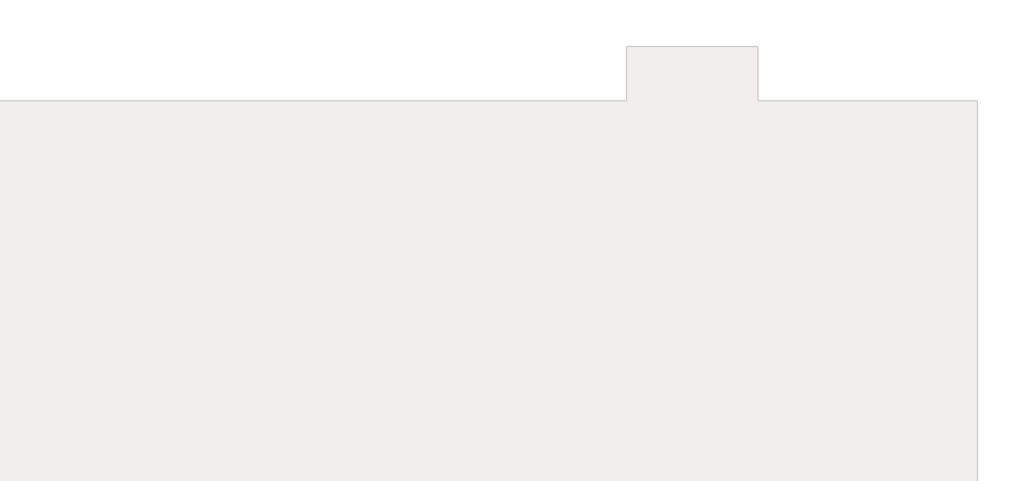
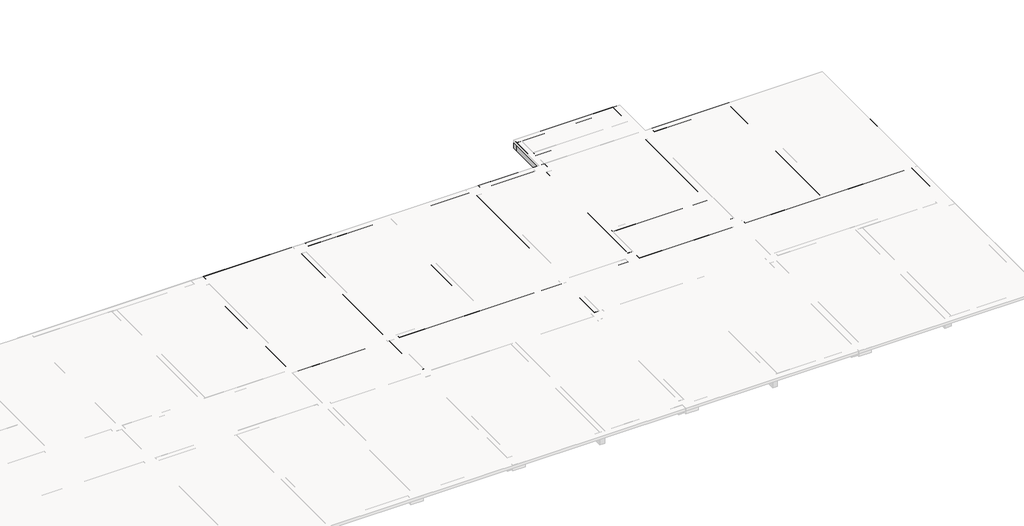
# One storey, part 3 of 3: 27 beams.
"""IFC4 building model written with IfcOpenShell, lengths in millimetres."""

from ifc_helpers import new_model, si_unit, frame, origin, place, context, project, spatial, polyline, outline, extrude, faceted_brep, element, save

model = new_model("IFC4")

# Units and contexts
model_context = context("Model", 3, world=origin())
ifc_project = project(units=[si_unit("LENGTHUNIT", "METRE", prefix="MILLI")], contexts=[model_context])

# Site, building, storey
site = spatial("IfcSite", under=ifc_project)
building = spatial("IfcBuilding", under=site)
storey = spatial("IfcBuildingStorey", under=building, Elevation=4000.0)

# Beams
placement = place(None, origin())
element("IfcBeam", 1, at=placement, inside=storey, context=model_context, shape_type="Brep", body=[
    faceted_brep([(7219.8874324, 2318.5678722, 4000.0), (7219.8874324, 2568.5678722, 4000.0), (2569.8874324, 2568.5678722, 4000.0), (2569.8874324, 2318.5678722, 4000.0), (7219.8874324, 2318.5678722, 3250.0), (7219.8874324, 2318.5678722, 3700.0), (2569.8874324, 2318.5678722, 3700.0), (2569.8874324, 2318.5678722, 3250.0), (7219.8874324, 2568.5678722, 3250.0), (2569.8874324, 2568.5678722, 3250.0), (7219.8874324, 2568.5678722, 3700.0), (2569.8874324, 2568.5678722, 3700.0)], [[[0, 1, 2, 3]], [[4, 5, 0, 3, 6, 7]], [[8, 4, 7, 9]], [[1, 10, 8, 9, 11, 2]], [[2, 11, 9, 7, 6, 3]], [[1, 0, 5, 4, 8, 10]]]),
])
element("IfcBeam", 2, at=placement, inside=storey, context=model_context, shape_type="Brep", body=[
    faceted_brep([(7819.8874324, 2568.5678722, 4000.0), (7819.8874324, 2318.5678722, 4000.0), (16244.8874324, 2318.5678722, 4000.0), (16244.8874324, 2568.5678722, 4000.0), (12169.8874324, 2568.5678722, 4000.0), (11919.8874324, 2568.5678722, 4000.0), (7819.8874324, 2318.5678722, 3700.0), (7819.8874324, 2318.5678722, 3250.0), (16244.8874324, 2318.5678722, 3250.0), (7819.8874324, 2568.5678722, 3250.0), (16244.8874324, 2568.5678722, 3250.0), (7819.8874324, 2568.5678722, 3700.0)], [[[0, 1, 2, 3, 4, 5]], [[1, 6, 7, 8, 2]], [[7, 9, 10, 8]], [[9, 11, 0, 5, 4, 3, 10]], [[0, 11, 9, 7, 6, 1]], [[3, 2, 8, 10]]]),
])
element("IfcBeam", 3, at=placement, inside=storey, context=model_context, shape_type="SweptSolid", body=[
    extrude(outline(polyline([(16844.8874324, 2318.5678722), (16844.8874324, 2568.5678722), (19719.8874324, 2568.5678722), (19719.8874324, 2318.5678722), (16844.8874324, 2318.5678722)])), frame((0.0, 0.0, 3250.0), z_axis=(0.0, 0.0, 1.0), x_axis=(1.0, 0.0, 0.0)), (0.0, 0.0, 1.0), 750.0),
])
element("IfcBeam", 4, at=placement, inside=storey, context=model_context, shape_type="Brep", body=[
    faceted_brep([(25219.8874324, 2318.5678722, 4000.0), (25219.8874324, 2568.5678722, 4000.0), (20319.8874324, 2568.5678722, 4000.0), (20319.8874324, 2318.5678722, 4000.0), (25219.8874324, 2318.5678722, 3250.0), (25219.8874324, 2318.5678722, 3700.0), (20319.8874324, 2318.5678722, 3700.0), (20319.8874324, 2318.5678722, 3250.0), (25219.8874324, 2568.5678722, 3250.0), (20319.8874324, 2568.5678722, 3250.0), (25219.8874324, 2568.5678722, 3700.0), (20319.8874324, 2568.5678722, 3700.0)], [[[0, 1, 2, 3]], [[4, 5, 0, 3, 6, 7]], [[8, 4, 7, 9]], [[1, 10, 8, 9, 11, 2]], [[2, 11, 9, 7, 6, 3]], [[1, 0, 5, 4, 8, 10]]]),
])
element("IfcBeam", 5, at=placement, inside=storey, context=model_context, shape_type="Brep", body=[
    faceted_brep([(34094.8874324, 2318.5678722, 4000.0), (34094.8874324, 2568.5678722, 4000.0), (30244.8874324, 2568.5678722, 4000.0), (29844.8874324, 2568.5678722, 4000.0), (25819.8874324, 2568.5678722, 4000.0), (25819.8874324, 2318.5678722, 4000.0), (34094.8874324, 2318.5678722, 3250.0), (34094.8874324, 2318.5678722, 3700.0), (25819.8874324, 2318.5678722, 3250.0), (34094.8874324, 2568.5678722, 3250.0), (25819.8874324, 2568.5678722, 3250.0), (34094.8874324, 2568.5678722, 3700.0)], [[[0, 1, 2, 3, 4, 5]], [[6, 7, 0, 5, 8]], [[9, 6, 8, 10]], [[1, 11, 9, 10, 4, 3, 2]], [[1, 0, 7, 6, 9, 11]], [[5, 4, 10, 8]]]),
])
element("IfcBeam", 6, at=placement, inside=storey, context=model_context, shape_type="Brep", body=[
    faceted_brep([(7219.8874324, 10593.5678722, 4000.0), (7219.8874324, 10893.5678722, 4000.0), (2569.8874324, 10893.5678722, 4000.0), (2569.8874324, 10593.5678722, 4000.0), (7219.8874324, 10593.5678722, 3100.0), (7219.8874324, 10593.5678722, 3700.0), (2569.8874324, 10593.5678722, 3700.0), (2569.8874324, 10593.5678722, 3100.0), (7219.8874324, 10893.5678722, 3100.0), (2569.8874324, 10893.5678722, 3100.0), (7219.8874324, 10893.5678722, 3700.0), (2569.8874324, 10893.5678722, 3700.0)], [[[0, 1, 2, 3]], [[4, 5, 0, 3, 6, 7]], [[8, 4, 7, 9]], [[1, 10, 8, 9, 11, 2]], [[2, 11, 9, 7, 6, 3]], [[1, 0, 5, 4, 8, 10]]]),
])
element("IfcBeam", 7, at=placement, inside=storey, context=model_context, shape_type="Brep", body=[
    faceted_brep([(16219.8874324, 10593.5678722, 4000.0), (16219.8874324, 10893.5678722, 4000.0), (7869.8874324, 10893.5678722, 4000.0), (7869.8874324, 10593.5678722, 4000.0), (11919.8874324, 10593.5678722, 4000.0), (12169.8874324, 10593.5678722, 4000.0), (16219.8874324, 10593.5678722, 3100.0), (16219.8874324, 10593.5678722, 3700.0), (7869.8874324, 10593.5678722, 3700.0), (7869.8874324, 10593.5678722, 3100.0), (16219.8874324, 10893.5678722, 3100.0), (7869.8874324, 10893.5678722, 3100.0), (16219.8874324, 10893.5678722, 3700.0), (7869.8874324, 10893.5678722, 3700.0)], [[[0, 1, 2, 3, 4, 5]], [[6, 7, 0, 5, 4, 3, 8, 9]], [[10, 6, 9, 11]], [[1, 12, 10, 11, 13, 2]], [[2, 13, 11, 9, 8, 3]], [[1, 0, 7, 6, 10, 12]]]),
])
element("IfcBeam", 8, at=placement, inside=storey, context=model_context, shape_type="Brep", body=[
    faceted_brep([(19669.8874324, 10593.5678722, 4000.0), (19669.8874324, 10893.5678722, 4000.0), (16869.8874324, 10893.5678722, 4000.0), (16869.8874324, 10593.5678722, 4000.0), (19669.8874324, 10593.5678722, 3100.0), (19669.8874324, 10593.5678722, 3700.0), (16869.8874324, 10593.5678722, 3700.0), (16869.8874324, 10593.5678722, 3100.0), (19669.8874324, 10893.5678722, 3100.0), (16869.8874324, 10893.5678722, 3100.0), (19669.8874324, 10893.5678722, 3700.0), (16869.8874324, 10893.5678722, 3700.0)], [[[0, 1, 2, 3]], [[4, 5, 0, 3, 6, 7]], [[8, 4, 7, 9]], [[1, 10, 8, 9, 11, 2]], [[2, 11, 9, 7, 6, 3]], [[1, 0, 5, 4, 8, 10]]]),
])
element("IfcBeam", 9, at=placement, inside=storey, context=model_context, shape_type="Brep", body=[
    faceted_brep([(20069.8874324, 13193.5678722, 4000.0), (20069.8874324, 12943.5678722, 4000.0), (20319.8874324, 12943.5678722, 4000.0), (25219.8874324, 12943.5678722, 4000.0), (25219.8874324, 13193.5678722, 4000.0), (20069.8874324, 12943.5678722, 3550.0), (20319.8874324, 12943.5678722, 3550.0), (25219.8874324, 12943.5678722, 3550.0), (25219.8874324, 12943.5678722, 3700.0), (20069.8874324, 13193.5678722, 3550.0), (25219.8874324, 13193.5678722, 3550.0)], [[[0, 1, 2, 3, 4]], [[1, 5, 6, 7, 8, 3, 2]], [[5, 9, 10, 7, 6]], [[9, 0, 4, 10]], [[4, 3, 8, 7, 10]], [[1, 0, 9, 5]]]),
])
element("IfcBeam", 10, at=placement, inside=storey, context=model_context, shape_type="Brep", body=[
    faceted_brep([(20069.8874324, 10893.5678722, 4000.0), (20319.8874324, 10893.5678722, 4000.0), (20319.8874324, 11643.5678722, 4000.0), (20319.8874324, 11893.5678722, 4000.0), (20319.8874324, 12943.5678722, 4000.0), (20069.8874324, 12943.5678722, 4000.0), (20319.8874324, 10893.5678722, 3700.0), (20319.8874324, 10893.5678722, 3550.0), (20319.8874324, 11643.5678722, 3550.0), (20319.8874324, 11893.5678722, 3550.0), (20319.8874324, 12943.5678722, 3550.0), (20319.8874324, 12943.5678722, 3700.0), (20069.8874324, 10893.5678722, 3550.0), (20069.8874324, 12943.5678722, 3550.0)], [[[0, 1, 2, 3, 4, 5]], [[1, 6, 7, 8, 9, 10, 11, 4, 3, 2]], [[7, 12, 13, 10, 9, 8]], [[12, 0, 5, 13]], [[5, 4, 11, 10, 13]], [[0, 12, 7, 6, 1]]]),
])
element("IfcBeam", 11, at=placement, inside=storey, context=model_context, shape_type="Brep", body=[
    faceted_brep([(20319.8874324, 11893.5678722, 4000.0), (20319.8874324, 11643.5678722, 4000.0), (25219.8874324, 11643.5678722, 4000.0), (25219.8874324, 11893.5678722, 4000.0), (20319.8874324, 11643.5678722, 3700.0), (20319.8874324, 11643.5678722, 3550.0), (25219.8874324, 11643.5678722, 3550.0), (25219.8874324, 11643.5678722, 3700.0), (20319.8874324, 11893.5678722, 3550.0), (25219.8874324, 11893.5678722, 3550.0), (20319.8874324, 11893.5678722, 3700.0), (25219.8874324, 11893.5678722, 3700.0)], [[[0, 1, 2, 3]], [[1, 4, 5, 6, 7, 2]], [[5, 8, 9, 6]], [[8, 10, 0, 3, 11, 9]], [[1, 0, 10, 8, 5, 4]], [[3, 2, 7, 6, 9, 11]]]),
])
element("IfcBeam", 12, at=placement, inside=storey, context=model_context, shape_type="Brep", body=[
    faceted_brep([(25219.8874324, 10893.5678722, 4000.0), (25569.8874324, 10893.5678722, 4000.0), (25569.8874324, 13193.5678722, 4000.0), (25219.8874324, 13193.5678722, 4000.0), (25219.8874324, 12943.5678722, 4000.0), (25219.8874324, 11893.5678722, 4000.0), (25219.8874324, 11643.5678722, 4000.0), (25219.8874324, 10893.5678722, 3250.0), (25219.8874324, 10893.5678722, 3700.0), (25219.8874324, 13193.5678722, 3550.0), (25219.8874324, 13193.5678722, 3250.0), (25569.8874324, 10893.5678722, 3250.0), (25569.8874324, 13193.5678722, 3250.0)], [[[0, 1, 2, 3, 4, 5, 6]], [[7, 8, 0, 6, 5, 4, 3, 9, 10]], [[11, 7, 10, 12]], [[1, 11, 12, 2]], [[1, 0, 8, 7, 11]], [[3, 2, 12, 10, 9]]]),
])
element("IfcBeam", 13, at=placement, inside=storey, context=model_context, shape_type="Brep", body=[
    faceted_brep([(2244.8874324, 2918.5678722, 4000.0), (2494.8874324, 2918.5678722, 4000.0), (2494.8874324, 10243.5678722, 4000.0), (2244.8874324, 10243.5678722, 4000.0), (2244.8874324, 2918.5678722, 3250.0), (2244.8874324, 2918.5678722, 3700.0), (2244.8874324, 10243.5678722, 3700.0), (2244.8874324, 10243.5678722, 3250.0), (2494.8874324, 2918.5678722, 3250.0), (2494.8874324, 10243.5678722, 3250.0), (2494.8874324, 2918.5678722, 3700.0), (2494.8874324, 10243.5678722, 3700.0)], [[[0, 1, 2, 3]], [[4, 5, 0, 3, 6, 7]], [[8, 4, 7, 9]], [[1, 10, 8, 9, 11, 2]], [[2, 11, 9, 7, 6, 3]], [[1, 0, 5, 4, 8, 10]]]),
])
element("IfcBeam", 14, at=placement, inside=storey, context=model_context, shape_type="Brep", body=[
    faceted_brep([(7544.8874324, 2318.5678722, 4000.0), (7294.8874324, 2318.5678722, 4000.0), (7294.8874324, -381.4321278, 4000.0), (7544.8874324, -381.4321278, 4000.0), (7544.8874324, 2318.5678722, 3250.0), (7544.8874324, 2318.5678722, 3700.0), (7544.8874324, -381.4321278, 3700.0), (7544.8874324, -381.4321278, 3250.0), (7294.8874324, 2318.5678722, 3250.0), (7294.8874324, -381.4321278, 3250.0), (7294.8874324, 2318.5678722, 3700.0), (7294.8874324, -381.4321278, 3700.0)], [[[0, 1, 2, 3]], [[4, 5, 0, 3, 6, 7]], [[8, 4, 7, 9]], [[1, 10, 8, 9, 11, 2]], [[1, 0, 5, 4, 8, 10]], [[2, 11, 9, 7, 6, 3]]]),
])
element("IfcBeam", 15, at=placement, inside=storey, context=model_context, shape_type="Brep", body=[
    faceted_brep([(7544.8874324, 10243.5678722, 4000.0), (7294.8874324, 10243.5678722, 4000.0), (7294.8874324, 2918.5678722, 4000.0), (7544.8874324, 2918.5678722, 4000.0), (7544.8874324, 10243.5678722, 3250.0), (7544.8874324, 10243.5678722, 3700.0), (7544.8874324, 2918.5678722, 3250.0), (7294.8874324, 10243.5678722, 3250.0), (7294.8874324, 2918.5678722, 3250.0), (7294.8874324, 10243.5678722, 3700.0)], [[[0, 1, 2, 3]], [[4, 5, 0, 3, 6]], [[7, 4, 6, 8]], [[1, 9, 7, 8, 2]], [[1, 0, 5, 4, 7, 9]], [[3, 2, 8, 6]]]),
])
element("IfcBeam", 16, at=placement, inside=storey, context=model_context, shape_type="Brep", body=[
    faceted_brep([(16669.8874324, 2318.5678722, 4000.0), (16419.8874324, 2318.5678722, 4000.0), (16419.8874324, -381.4321278, 4000.0), (16669.8874324, -381.4321278, 4000.0), (16669.8874324, 2318.5678722, 3250.0), (16669.8874324, 2318.5678722, 3700.0), (16669.8874324, -381.4321278, 3700.0), (16669.8874324, -381.4321278, 3250.0), (16419.8874324, 2318.5678722, 3250.0), (16419.8874324, -381.4321278, 3250.0), (16419.8874324, 2318.5678722, 3700.0), (16419.8874324, -381.4321278, 3700.0)], [[[0, 1, 2, 3]], [[4, 5, 0, 3, 6, 7]], [[8, 4, 7, 9]], [[1, 10, 8, 9, 11, 2]], [[2, 11, 9, 7, 6, 3]], [[1, 0, 5, 4, 8, 10]]]),
])
element("IfcBeam", 17, at=placement, inside=storey, context=model_context, shape_type="Brep", body=[
    faceted_brep([(16669.8874324, 10243.5678722, 4000.0), (16419.8874324, 10243.5678722, 4000.0), (16419.8874324, 2918.5678722, 4000.0), (16669.8874324, 2918.5678722, 4000.0), (16669.8874324, 10243.5678722, 3250.0), (16669.8874324, 10243.5678722, 3700.0), (16669.8874324, 2918.5678722, 3700.0), (16669.8874324, 2918.5678722, 3250.0), (16419.8874324, 10243.5678722, 3250.0), (16419.8874324, 2918.5678722, 3250.0), (16419.8874324, 10243.5678722, 3700.0), (16419.8874324, 2918.5678722, 3700.0)], [[[0, 1, 2, 3]], [[4, 5, 0, 3, 6, 7]], [[8, 4, 7, 9]], [[1, 10, 8, 9, 11, 2]], [[1, 0, 5, 4, 8, 10]], [[2, 11, 9, 7, 6, 3]]]),
])
element("IfcBeam", 18, at=placement, inside=storey, context=model_context, shape_type="Brep", body=[
    faceted_brep([(20319.8874324, 10243.5678722, 4000.0), (20069.8874324, 10243.5678722, 4000.0), (20069.8874324, 2918.5678722, 4000.0), (20319.8874324, 2918.5678722, 4000.0), (20319.8874324, 4723.5678722, 4000.0), (20319.8874324, 4973.5678722, 4000.0), (20319.8874324, 10243.5678722, 3250.0), (20319.8874324, 2918.5678722, 3250.0), (20069.8874324, 10243.5678722, 3250.0), (20069.8874324, 2918.5678722, 3250.0)], [[[0, 1, 2, 3, 4, 5]], [[6, 0, 5, 4, 3, 7]], [[8, 6, 7, 9]], [[1, 8, 9, 2]], [[1, 0, 6, 8]], [[3, 2, 9, 7]]]),
])
element("IfcBeam", 19, at=placement, inside=storey, context=model_context, shape_type="Brep", body=[
    faceted_brep([(20319.8874324, 4973.5678722, 4000.0), (20319.8874324, 4723.5678722, 4000.0), (25219.8874324, 4723.5678722, 4000.0), (25219.8874324, 4973.5678722, 4000.0), (20319.8874324, 4723.5678722, 3700.0), (20319.8874324, 4723.5678722, 3550.0), (25219.8874324, 4723.5678722, 3550.0), (25219.8874324, 4723.5678722, 3700.0), (20319.8874324, 4973.5678722, 3550.0), (25219.8874324, 4973.5678722, 3550.0), (20319.8874324, 4973.5678722, 3700.0), (25219.8874324, 4973.5678722, 3700.0)], [[[0, 1, 2, 3]], [[1, 4, 5, 6, 7, 2]], [[5, 8, 9, 6]], [[8, 10, 0, 3, 11, 9]], [[1, 0, 10, 8, 5, 4]], [[3, 2, 7, 6, 9, 11]]]),
])
element("IfcBeam", 20, at=placement, inside=storey, context=model_context, shape_type="Brep", body=[
    faceted_brep([(25219.8874324, -381.4321278, 4000.0), (25569.8874324, -381.4321278, 4000.0), (25569.8874324, 2318.5678722, 4000.0), (25219.8874324, 2318.5678722, 4000.0), (25219.8874324, -381.4321278, 3250.0), (25219.8874324, -381.4321278, 3700.0), (25219.8874324, 2318.5678722, 3700.0), (25219.8874324, 2318.5678722, 3250.0), (25569.8874324, -381.4321278, 3250.0), (25569.8874324, 2318.5678722, 3250.0), (25569.8874324, -381.4321278, 3700.0), (25569.8874324, 2318.5678722, 3700.0)], [[[0, 1, 2, 3]], [[4, 5, 0, 3, 6, 7]], [[8, 4, 7, 9]], [[1, 10, 8, 9, 11, 2]], [[2, 11, 9, 7, 6, 3]], [[1, 0, 5, 4, 8, 10]]]),
])
element("IfcBeam", 21, at=placement, inside=storey, context=model_context, shape_type="Brep", body=[
    faceted_brep([(25569.8874324, 10243.5678722, 4000.0), (25219.8874324, 10243.5678722, 4000.0), (25219.8874324, 4973.5678722, 4000.0), (25219.8874324, 4723.5678722, 4000.0), (25219.8874324, 2923.5678722, 4000.0), (25569.8874324, 2923.5678722, 4000.0), (25569.8874324, 10243.5678722, 3250.0), (25569.8874324, 10243.5678722, 3700.0), (25569.8874324, 2923.5678722, 3700.0), (25569.8874324, 2923.5678722, 3250.0), (25219.8874324, 10243.5678722, 3250.0), (25219.8874324, 2923.5678722, 3250.0), (25219.8874324, 10243.5678722, 3700.0), (25219.8874324, 2923.5678722, 3700.0)], [[[0, 1, 2, 3, 4, 5]], [[6, 7, 0, 5, 8, 9]], [[10, 6, 9, 11]], [[1, 12, 10, 11, 13, 4, 3, 2]], [[1, 0, 7, 6, 10, 12]], [[4, 13, 11, 9, 8, 5]]]),
])
element("IfcBeam", 22, at=placement, inside=storey, context=model_context, shape_type="Brep", body=[
    faceted_brep([(25219.8874324, 10643.5678722, 4000.0), (25219.8874324, 10893.5678722, 4000.0), (20319.8874324, 10893.5678722, 4000.0), (20319.8874324, 10643.5678722, 4000.0), (25219.8874324, 10643.5678722, 3500.0), (25219.8874324, 10643.5678722, 3700.0), (20319.8874324, 10643.5678722, 3700.0), (20319.8874324, 10643.5678722, 3500.0), (25219.8874324, 10893.5678722, 3500.0), (20319.8874324, 10893.5678722, 3500.0), (25219.8874324, 10893.5678722, 3700.0), (20319.8874324, 10893.5678722, 3700.0)], [[[0, 1, 2, 3]], [[4, 5, 0, 3, 6, 7]], [[8, 4, 7, 9]], [[1, 10, 8, 9, 11, 2]], [[2, 11, 9, 7, 6, 3]], [[1, 0, 5, 4, 8, 10]]]),
])
element("IfcBeam", 23, at=placement, inside=storey, context=model_context, shape_type="Brep", body=[
    faceted_brep([(34094.8874324, 10593.5678722, 4000.0), (34094.8874324, 10893.5678722, 4000.0), (25869.8874324, 10893.5678722, 4000.0), (25869.8874324, 10593.5678722, 4000.0), (29844.8874324, 10593.5678722, 4000.0), (30244.8874324, 10593.5678722, 4000.0), (34094.8874324, 10593.5678722, 3100.0), (34094.8874324, 10593.5678722, 3700.0), (25869.8874324, 10593.5678722, 3700.0), (25869.8874324, 10593.5678722, 3100.0), (34094.8874324, 10893.5678722, 3100.0), (25869.8874324, 10893.5678722, 3100.0), (34094.8874324, 10893.5678722, 3700.0), (25869.8874324, 10893.5678722, 3700.0)], [[[0, 1, 2, 3, 4, 5]], [[6, 7, 0, 5, 4, 3, 8, 9]], [[10, 6, 9, 11]], [[1, 12, 10, 11, 13, 2]], [[2, 13, 11, 9, 8, 3]], [[1, 0, 7, 6, 10, 12]]]),
])
element("IfcBeam", 24, at=placement, inside=storey, context=model_context, shape_type="Brep", body=[
    faceted_brep([(29844.8874324, 2568.5678722, 4000.0), (30244.8874324, 2568.5678722, 4000.0), (30244.8874324, 10593.5678722, 4000.0), (29844.8874324, 10593.5678722, 4000.0), (29844.8874324, 2568.5678722, 3535.0), (29844.8874324, 2568.5678722, 3700.0), (29844.8874324, 10593.5678722, 3700.0), (29844.8874324, 10593.5678722, 3535.0), (30244.8874324, 2568.5678722, 3535.0), (30244.8874324, 10593.5678722, 3535.0), (30244.8874324, 2568.5678722, 3700.0), (30244.8874324, 10593.5678722, 3700.0)], [[[0, 1, 2, 3]], [[4, 5, 0, 3, 6, 7]], [[8, 4, 7, 9]], [[1, 10, 8, 9, 11, 2]], [[1, 0, 5, 4, 8, 10]], [[3, 2, 11, 9, 7, 6]]]),
])
element("IfcBeam", 25, at=placement, inside=storey, context=model_context, shape_type="Brep", body=[
    faceted_brep([(34794.8874324, 2318.5678722, 4000.0), (34494.8874324, 2318.5678722, 4000.0), (34494.8874324, -381.4321278, 4000.0), (34794.8874324, -381.4321278, 4000.0), (34794.8874324, 2318.5678722, 3150.0), (34794.8874324, 2318.5678722, 3700.0), (34794.8874324, -381.4321278, 3700.0), (34794.8874324, -381.4321278, 3150.0), (34494.8874324, 2318.5678722, 3150.0), (34494.8874324, -381.4321278, 3150.0), (34494.8874324, 2318.5678722, 3700.0), (34494.8874324, -381.4321278, 3700.0)], [[[0, 1, 2, 3]], [[4, 5, 0, 3, 6, 7]], [[8, 4, 7, 9]], [[1, 10, 8, 9, 11, 2]], [[1, 0, 5, 4, 8, 10]], [[2, 11, 9, 7, 6, 3]]]),
])
element("IfcBeam", 26, at=placement, inside=storey, context=model_context, shape_type="Brep", body=[
    faceted_brep([(34794.8874324, 10193.5678722, 4000.0), (34494.8874324, 10193.5678722, 4000.0), (34494.8874324, 3018.5678722, 4000.0), (34794.8874324, 3018.5678722, 4000.0), (34794.8874324, 10193.5678722, 3150.0), (34794.8874324, 10193.5678722, 3700.0), (34794.8874324, 3018.5678722, 3700.0), (34794.8874324, 3018.5678722, 3150.0), (34494.8874324, 10193.5678722, 3150.0), (34494.8874324, 3018.5678722, 3150.0), (34494.8874324, 10193.5678722, 3700.0), (34494.8874324, 3018.5678722, 3700.0)], [[[0, 1, 2, 3]], [[4, 5, 0, 3, 6, 7]], [[8, 4, 7, 9]], [[1, 10, 8, 9, 11, 2]], [[1, 0, 5, 4, 8, 10]], [[2, 11, 9, 7, 6, 3]]]),
])
element("IfcBeam", 27, ObjectType="L2,250,700", at=placement, inside=storey, context=model_context, shape_type="Brep", body=[
    faceted_brep([(11919.8874324, 2568.5678722, 4000.0), (12169.8874324, 2568.5678722, 4000.0), (12169.8874324, 10593.5678722, 4000.0), (11919.8874324, 10593.5678722, 4000.0), (12169.8874324, 2568.5678722, 3700.0), (12169.8874324, 2568.5678722, 3300.0), (12169.8874324, 10593.5678722, 3300.0), (12169.8874324, 10593.5678722, 3700.0), (11919.8874324, 2568.5678722, 3300.0), (11919.8874324, 10593.5678722, 3300.0), (11919.8874324, 2568.5678722, 3700.0), (11919.8874324, 10593.5678722, 3700.0)], [[[0, 1, 2, 3]], [[1, 4, 5, 6, 7, 2]], [[5, 8, 9, 6]], [[8, 10, 0, 3, 11, 9]], [[1, 0, 10, 8, 5, 4]], [[3, 2, 7, 6, 9, 11]]]),
])

save(model, "model.ifc")
